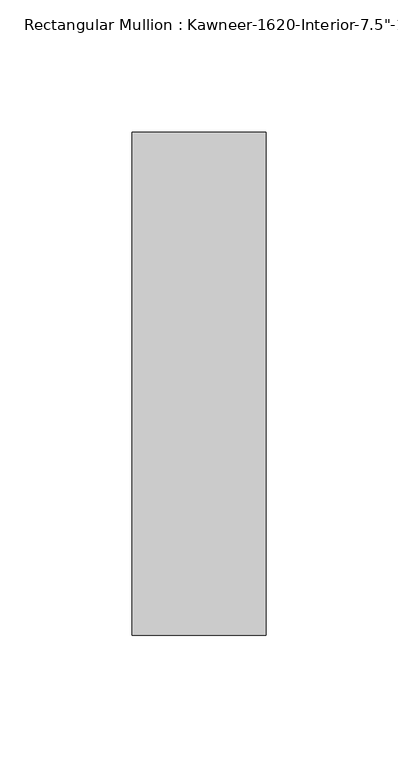
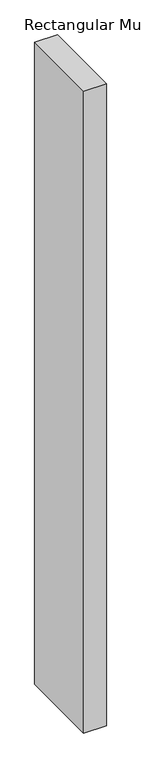
"""IFC4 building model written with IfcOpenShell, lengths in millimetres: member geometry."""

from ifc_helpers import new_model, si_unit, frame, origin, place, context, project, spatial, polyline, outline, extrude, source, transform, mapped, element, save


def member_fe938800(model_context):
    return source(origin(), model_context, "Body", "SweptSolid", [
        extrude(outline(polyline([(25.4, -161.925), (-25.4, -161.925), (-25.4, 28.575), (25.4, 28.575), (25.4, -161.925)])), frame((0.0, 0.0, -1524.0), z_axis=(0.0, 0.0, 1.0), x_axis=(1.0, 0.0, 0.0)), (0.0, 0.0, 1.0), 1524.0),
    ])


if __name__ == "__main__":
    model = new_model("IFC4")
    model_context = context("Model", 3, world=origin())
    ifc_project = project(units=[si_unit("LENGTHUNIT", "METRE", prefix="MILLI")], contexts=[model_context])
    site = spatial("IfcSite", under=ifc_project)
    building = spatial("IfcBuilding", under=site)
    placement = place(None, origin())
    member_shape = member_fe938800(model_context)
    element("IfcMember", 1, ObjectType="Rectangular Mullion : Kawneer-1620-Interior-7.5\"-1\"_1/4\"Infill", at=placement, inside=building, context=model_context, shape_type="MappedRepresentation", body=[
        mapped(member_shape, transform((0.0, 0.0, 0.0), x_axis=(1.0, 0.0, 0.0), y_axis=(0.0, 1.0, 0.0), z_axis=(0.0, 0.0, 1.0))),
    ])
    save(model, "model.ifc")
